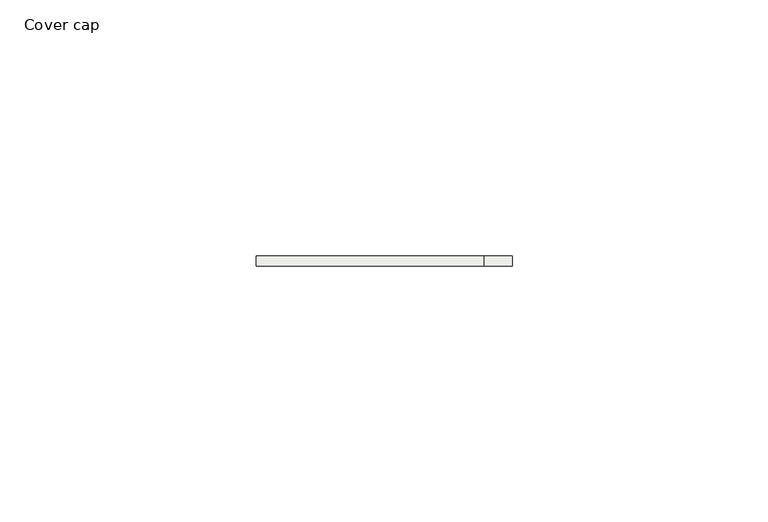
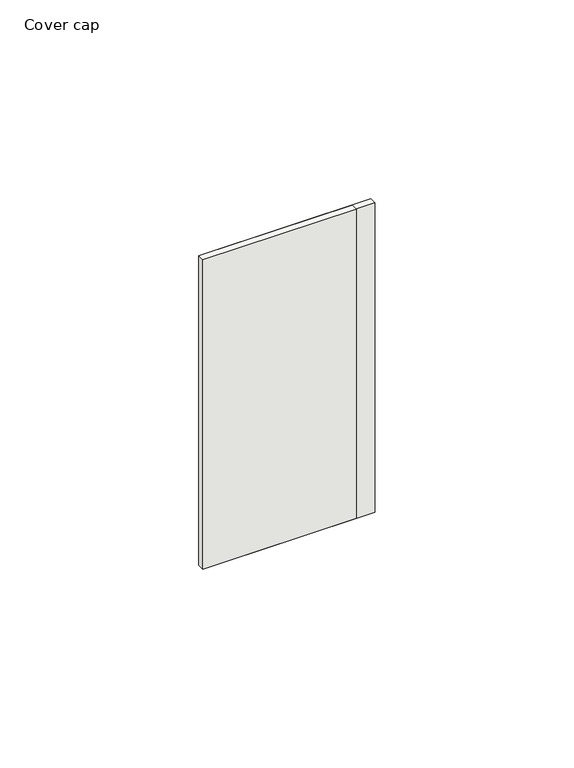
"""IFC4 building model written with IfcOpenShell, lengths in millimetres: covering geometry, Cover cap."""

from ifc_helpers import new_model, si_unit, frame, origin, place, context, project, spatial, polyline, outline, extrude, source, transform, mapped, element, save


def cover_cap_4edb1bc5(model_context):
    return source(origin(), model_context, "Body", "SweptSolid", [
        extrude(outline(polyline([(19.5, 0.0), (19.5, -2.0), (-25.0, -2.0), (-25.0, 0.0), (19.5, 0.0)])), frame((0.0, 0.0, -2.0), z_axis=(0.0, 0.0, 1.0), x_axis=(1.0, 0.0, 0.0)), (0.0, 0.0, 1.0), 95.0),
        extrude(outline(polyline([(25.0, 0.0), (25.0, -2.0), (-25.0, -2.0), (-25.0, 0.0), (25.0, 0.0)])), frame((0.0, 0.0, -2.0), z_axis=(0.0, 0.0, 1.0), x_axis=(1.0, 0.0, 0.0)), (0.0, 0.0, 1.0), 95.0),
    ])


if __name__ == "__main__":
    model = new_model("IFC4")
    model_context = context("Model", 3, world=origin())
    ifc_project = project(units=[si_unit("LENGTHUNIT", "METRE", prefix="MILLI")], contexts=[model_context])
    site = spatial("IfcSite", under=ifc_project)
    building = spatial("IfcBuilding", under=site)
    placement = place(None, origin())
    cover_cap_shape = cover_cap_4edb1bc5(model_context)
    element("IfcCovering", 1, ObjectType="Cover cap", at=placement, inside=building, context=model_context, shape_type="MappedRepresentation", body=[
        mapped(cover_cap_shape, transform((0.0, 0.0, 0.0), x_axis=(1.0, 0.0, 0.0), y_axis=(0.0, 1.0, 0.0), z_axis=(0.0, 0.0, 1.0))),
    ])
    save(model, "model.ifc")
